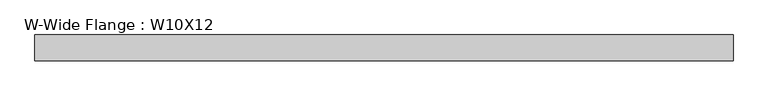
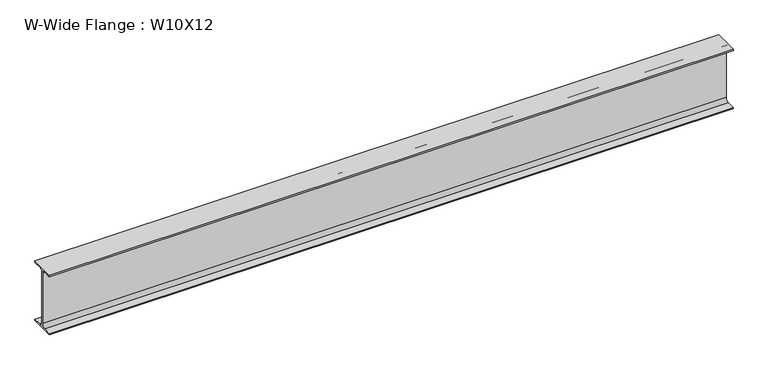
"""IFC4 building model written with IfcOpenShell, lengths in millimetres: beam geometry, W-Wide Flange : W10X12."""

from ifc_helpers import new_model, si_unit, point, frame, frame_2d, origin, place, context, project, spatial, polyline, circle_curve, trimmed, segment, composite_curve, outline, extrude, source, transform, mapped, element, save


def w_wide_flange_w10x12_b8018139(model_context):
    return source(origin(), model_context, "Body", "SweptSolid", [
        extrude(outline(composite_curve([segment(polyline([(50.3039062, -120.0050781), (50.3039062, -125.3628906), (-50.3039063, -125.3628906), (-50.3039063, -120.0050781), (-16.1230469, -120.0050781)]), True, "CONTINUOUS"), segment(trimmed(circle_curve(frame_2d((-16.1230469, -106.3128906)), 13.6921875), [point((-16.1230469, -120.0050781))], [point((-2.4308594, -106.3128906))], True, "CARTESIAN"), True, "CONTINUOUS"), segment(polyline([(-2.4308594, -106.3128906), (-2.4308594, 106.3128906)]), True, "CONTINUOUS"), segment(trimmed(circle_curve(frame_2d((-16.1230469, 106.3128906)), 13.6921875), [point((-2.4308594, 106.3128906))], [point((-16.1230469, 120.0050781))], True, "CARTESIAN"), True, "CONTINUOUS"), segment(polyline([(-16.1230469, 120.0050781), (-50.3039063, 120.0050781), (-50.3039063, 125.3628906), (50.3039062, 125.3628906), (50.3039062, 120.0050781), (16.1230469, 120.0050781)]), True, "CONTINUOUS"), segment(trimmed(circle_curve(frame_2d((16.1230469, 106.3128906)), 13.6921875), [point((16.1230469, 120.0050781))], [point((2.4308594, 106.3128906))], True, "CARTESIAN"), True, "CONTINUOUS"), segment(polyline([(2.4308594, 106.3128906), (2.4308594, -106.3128906)]), True, "CONTINUOUS"), segment(trimmed(circle_curve(frame_2d((16.1230469, -106.3128906)), 13.6921875), [point((2.4308594, -106.3128906))], [point((16.1230469, -120.0050781))], True, "CARTESIAN"), True, "CONTINUOUS"), segment(polyline([(16.1230469, -120.0050781), (50.3039062, -120.0050781)]), True, "CONTINUOUS")], self_intersect=False)), frame((-1371.6, 0.0, 0.0), z_axis=(1.0, 0.0, 0.0), x_axis=(0.0, 1.0, 0.0)), (0.0, 0.0, 1.0), 2723.753125),
    ])


if __name__ == "__main__":
    model = new_model("IFC4")
    model_context = context("Model", 3, world=origin())
    ifc_project = project(units=[si_unit("LENGTHUNIT", "METRE", prefix="MILLI")], contexts=[model_context])
    site = spatial("IfcSite", under=ifc_project)
    building = spatial("IfcBuilding", under=site)
    placement = place(None, origin())
    w_wide_flange_w10x12_shape = w_wide_flange_w10x12_b8018139(model_context)
    element("IfcBeam", 1, ObjectType="W-Wide Flange : W10X12", at=placement, inside=building, context=model_context, shape_type="MappedRepresentation", body=[
        mapped(w_wide_flange_w10x12_shape, transform((0.0, 0.0, 0.0), x_axis=(1.0, 0.0, 0.0), y_axis=(0.0, 1.0, 0.0), z_axis=(0.0, 0.0, 1.0))),
    ])
    save(model, "model.ifc")
